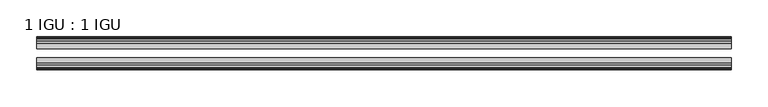
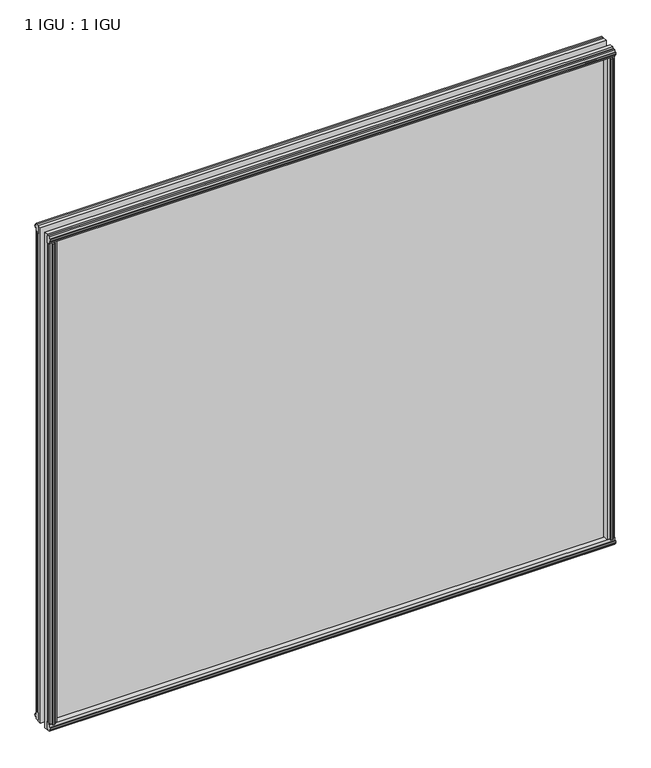
"""IFC4 building model written with IfcOpenShell, lengths in millimetres: plate geometry, 1 IGU : 1 IGU."""

from ifc_helpers import new_model, si_unit, frame, origin, origin_with_axes, place, context, project, spatial, polyline, outline, extrude, source, transform, mapped, element, save


def plate_1_igu_1_igu_7590053a(model_context):
    return source(origin(), model_context, "Body", "SweptSolid", [
        extrude(outline(polyline([(458.7511137, -19.5460937), (460.8563908, -13.1960937), (466.0635852, -13.1960937), (466.4445852, -10.8158968), (465.0290562, -11.27583), (465.0290562, -10.4746158), (467.2065852, -9.7670937), (469.3841143, -10.4746158), (469.3841143, -11.27583), (467.9685852, -10.8158968), (468.3495852, -13.1960937), (472.7945852, -13.1960937), (472.7945852, -16.1419073), (470.5815077, -19.5460937), (458.7511137, -19.5460937)])), origin_with_axes(), (0.0, 0.0, 1.0), 850.9),
        extrude(outline(polyline([(-458.7511137, -19.5460937), (-470.5815077, -19.5460937), (-472.7945852, -16.1419073), (-472.7945852, -13.1960937), (-468.3495852, -13.1960937), (-467.9685852, -10.8158968), (-469.3841143, -11.27583), (-469.3841143, -10.4746158), (-467.2065852, -9.7670937), (-465.0290562, -10.4746158), (-465.0290562, -11.27583), (-466.4445852, -10.8158968), (-466.0635852, -13.1960937), (-460.8563908, -13.1960937), (-458.7511137, -19.5460937)])), origin_with_axes(), (0.0, 0.0, 1.0), 850.9),
        extrude(outline(polyline([(-16.1419073, -12.4576852), (-19.5460937, -10.2446077), (-19.5460937, 1.5857863), (-13.1960937, -0.5194908), (-13.1960937, -5.7266852), (-10.8158968, -6.1076852), (-11.27583, -4.6921562), (-10.4746158, -4.6921562), (-9.7670937, -6.8696852), (-10.4746158, -9.0472143), (-11.27583, -9.0472143), (-10.8158968, -7.6316852), (-13.1960937, -8.0126852), (-13.1960937, -12.4576852), (-16.1419073, -12.4576852)])), frame((-473.0369, 0.0, 0.0), z_axis=(1.0, 0.0, 0.0), x_axis=(0.0, 1.0, 0.0)), (0.0, 0.0, 1.0), 946.0738),
        extrude(outline(polyline([(-48.3502802, -11.938), (-51.2960937, -11.938), (-51.2960937, -7.493), (-53.6762907, -7.112), (-53.2163575, -8.5275291), (-54.0175717, -8.5275291), (-54.7250937, -6.35), (-54.0175717, -4.172471), (-53.2163575, -4.172471), (-53.6762907, -5.588), (-51.2960937, -5.207), (-51.2960937, 0.0001944), (-44.9460937, 2.1054715), (-44.9460937, -9.7249225), (-48.3502802, -11.938)])), frame((-473.0369, 0.0, 0.0), z_axis=(1.0, 0.0, 0.0), x_axis=(0.0, 1.0, 0.0)), (0.0, 0.0, 1.0), 946.0738),
        extrude(outline(polyline([(-16.1028367, 863.3576852), (-13.1960937, 863.3576852), (-13.1960937, 858.9126852), (-10.8158968, 858.5316852), (-11.27583, 859.9472143), (-10.4746158, 859.9472143), (-9.7670937, 857.7696852), (-10.4746158, 855.5921562), (-11.27583, 855.5921562), (-10.8158968, 857.0076852), (-13.1960937, 856.6266852), (-13.1960937, 851.3940908), (-19.5460937, 849.2888137), (-19.5460937, 861.1192077), (-16.1028367, 863.3576852)])), frame((-473.0369, 0.0, 0.0), z_axis=(1.0, 0.0, 0.0), x_axis=(0.0, 1.0, 0.0)), (0.0, 0.0, 1.0), 946.0738),
        extrude(outline(polyline([(-48.3893508, 862.8126), (-44.9460937, 860.5741225), (-44.9460937, 848.7437285), (-51.2960937, 850.8490056), (-51.2960937, 856.0816), (-53.6762907, 856.4626), (-53.2163575, 855.047071), (-54.0175717, 855.047071), (-54.7250938, 857.2246), (-54.0175717, 859.4021291), (-53.2163575, 859.4021291), (-53.6762907, 857.9866), (-51.2960937, 858.3676), (-51.2960937, 862.8126), (-48.3893508, 862.8126)])), frame((-473.0369, 0.0, 0.0), z_axis=(1.0, 0.0, 0.0), x_axis=(0.0, 1.0, 0.0)), (0.0, 0.0, 1.0), 946.0738),
        extrude(outline(polyline([(-458.2314285, -44.9460938), (-460.3367056, -51.2960938), (-465.5439, -51.2960938), (-465.9249, -53.6762907), (-464.509371, -53.2163575), (-464.509371, -54.0175717), (-466.6869, -54.7250938), (-468.8644291, -54.0175717), (-468.8644291, -53.2163575), (-467.4489, -53.6762907), (-467.8299, -51.2960938), (-472.2749, -51.2960938), (-472.2749, -48.3502802), (-470.0618225, -44.9460938), (-458.2314285, -44.9460938)])), origin_with_axes(), (0.0, 0.0, 1.0), 850.9),
        extrude(outline(polyline([(458.2314285, -44.9460938), (470.0618225, -44.9460938), (472.2749, -48.3502802), (472.2749, -51.2960938), (467.8299, -51.2960938), (467.4489, -53.6762907), (468.8644291, -53.2163575), (468.8644291, -54.0175717), (466.6869, -54.7250938), (464.509371, -54.0175717), (464.509371, -53.2163575), (465.9249, -53.6762907), (465.5439, -51.2960938), (460.3367056, -51.2960938), (458.2314285, -44.9460938)])), origin_with_axes(), (0.0, 0.0, 1.0), 850.9),
        extrude(outline(polyline([(473.0369, -19.5460937), (473.0369, -25.8337453), (-473.0369, -25.8337453), (-473.0369, -19.5460937), (473.0369, -19.5460937)])), frame((0.0, 0.0, -12.7), z_axis=(0.0, 0.0, 1.0), x_axis=(1.0, 0.0, 0.0)), (0.0, 0.0, 1.0), 876.2872998),
        extrude(outline(polyline([(-473.0369, -44.9460937), (-473.0369, -38.6468938), (473.0369, -38.6468938), (473.0369, -44.9460937), (-473.0369, -44.9460937)])), frame((0.0, 0.0, -12.7), z_axis=(0.0, 0.0, 1.0), x_axis=(1.0, 0.0, 0.0)), (0.0, 0.0, 1.0), 876.2872998),
    ])


if __name__ == "__main__":
    model = new_model("IFC4")
    model_context = context("Model", 3, world=origin())
    ifc_project = project(units=[si_unit("LENGTHUNIT", "METRE", prefix="MILLI")], contexts=[model_context])
    site = spatial("IfcSite", under=ifc_project)
    building = spatial("IfcBuilding", under=site)
    placement = place(None, origin())
    plate_1_igu_1_igu_shape = plate_1_igu_1_igu_7590053a(model_context)
    element("IfcPlate", 1, ObjectType="1 IGU : 1 IGU", at=placement, inside=building, context=model_context, shape_type="MappedRepresentation", body=[
        mapped(plate_1_igu_1_igu_shape, transform((0.0, 0.0, 0.0), x_axis=(1.0, 0.0, 0.0), y_axis=(0.0, 1.0, 0.0), z_axis=(0.0, 0.0, 1.0))),
    ])
    save(model, "model.ifc")
